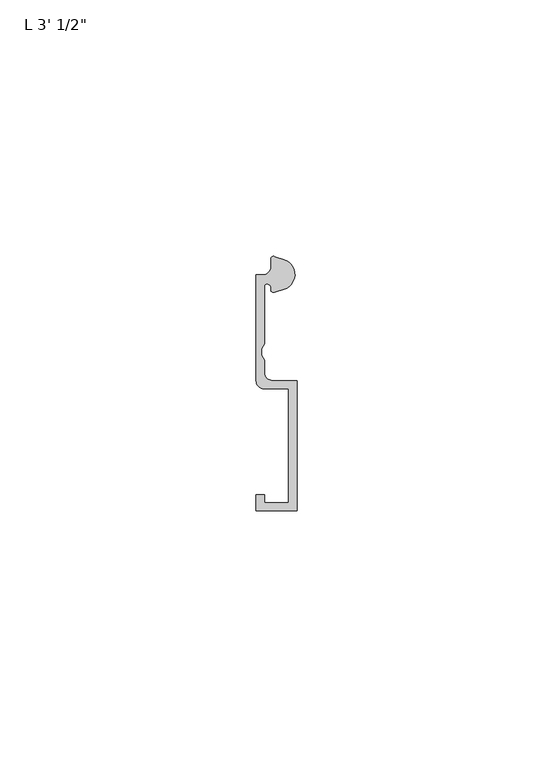
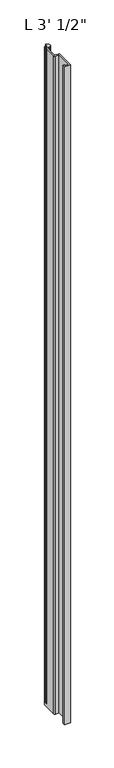
"""IFC4 building model written with IfcOpenShell, lengths in millimetres: proxy geometry."""

from ifc_helpers import new_model, si_unit, point, frame_2d, origin, origin_with_axes, place, context, project, spatial, polyline, circle_curve, trimmed, segment, composite_curve, outline, extrude, source, transform, mapped, element, save


def proxy_d75ed4f5(model_context):
    return source(origin(), model_context, "Body", "SweptSolid", [
        extrude(outline(composite_curve([segment(trimmed(circle_curve(frame_2d((4.5018192, -3.531999)), 3.048), [point((5.4099313, -0.6224223))], [point((7.1037699, -1.944499))], False, "CARTESIAN"), True, "CONTINUOUS"), segment(trimmed(circle_curve(frame_2d((4.5018192, -3.531999)), 3.048), [point((7.1037699, -1.944499))], [point((5.4099313, -6.4415757))], False, "CARTESIAN"), True, "CONTINUOUS"), segment(polyline([(5.4099313, -6.4415757), (3.6135887, -7.0022347)]), True, "CONTINUOUS"), segment(trimmed(circle_curve(frame_2d((3.4254762, -6.4635334)), 0.5706009), [point((3.6135887, -7.0022347))], [point((2.8720827, -6.3244611))], False, "CARTESIAN"), True, "CONTINUOUS"), segment(trimmed(circle_curve(frame_2d((2.1330622, -6.1387392)), 0.762), [point((2.8720827, -6.3244611))], [point((2.1123834, -5.3770198))], True, "CARTESIAN"), True, "CONTINUOUS"), segment(trimmed(circle_curve(frame_2d((2.0955, -5.8847392)), 0.508), [point((2.1123834, -5.3770198))], [point((1.5875, -5.8847392))], True, "CARTESIAN"), True, "CONTINUOUS"), segment(polyline([(1.5875, -5.8847392), (1.5875, -17.0723512), (1.0783361, -17.9897709), (1.0783361, -19.3299316), (1.5875, -20.2473512), (1.5875, -22.6259797)]), True, "CONTINUOUS"), segment(trimmed(circle_curve(frame_2d((3.175, -22.6259797)), 1.5875), [point((1.5875, -22.6259797))], [point((3.175, -24.2134797))], True, "CARTESIAN"), True, "CONTINUOUS"), segment(polyline([(3.175, -24.2134797), (7.9375, -24.2134797), (7.9375, -49.6175641), (0.0, -49.6175641), (0.0, -46.4425641), (1.5875, -46.4425641), (1.5875, -48.0300641), (6.35, -48.0300641), (6.35, -25.8237392), (1.5875, -25.8237392)]), True, "CONTINUOUS"), segment(trimmed(circle_curve(frame_2d((1.5875, -24.2362392)), 1.5875), [point((1.5875, -25.8237392))], [point((0.0, -24.2362392))], False, "CARTESIAN"), True, "CONTINUOUS"), segment(polyline([(0.0, -24.2362392), (0.0, -3.5987392), (1.3075622, -3.5987392)]), True, "CONTINUOUS"), segment(trimmed(circle_curve(frame_2d((1.3075622, -2.0112392)), 1.5875), [point((1.3075622, -3.5987392))], [point((2.8950622, -2.0112392))], True, "CARTESIAN"), True, "CONTINUOUS"), segment(polyline([(2.8950622, -2.0112392), (2.8950622, -0.4696291)]), True, "CONTINUOUS"), segment(trimmed(circle_curve(frame_2d((3.3646912, -0.4696291)), 0.4696291), [point((2.8950622, -0.4696291))], [point((3.5749842, -0.0497144))], False, "CARTESIAN"), True, "CONTINUOUS"), segment(polyline([(3.5749842, -0.0497144), (5.4099313, -0.6224223)]), True, "CONTINUOUS")], self_intersect=False)), origin_with_axes(), (0.0, 0.0, 1.0), 927.1),
    ])


if __name__ == "__main__":
    model = new_model("IFC4")
    model_context = context("Model", 3, world=origin())
    ifc_project = project(units=[si_unit("LENGTHUNIT", "METRE", prefix="MILLI")], contexts=[model_context])
    site = spatial("IfcSite", under=ifc_project)
    building = spatial("IfcBuilding", under=site)
    placement = place(None, origin())
    proxy_shape = proxy_d75ed4f5(model_context)
    element("IfcBuildingElementProxy", 1, Name="L 3' 1/2\"", ObjectType="L 3' 1/2\"", at=placement, inside=building, context=model_context, shape_type="MappedRepresentation", body=[
        mapped(proxy_shape, transform((0.0, 0.0, 0.0), x_axis=(1.0, 0.0, 0.0), y_axis=(0.0, 1.0, 0.0), z_axis=(0.0, 0.0, 1.0))),
    ])
    save(model, "model.ifc")
